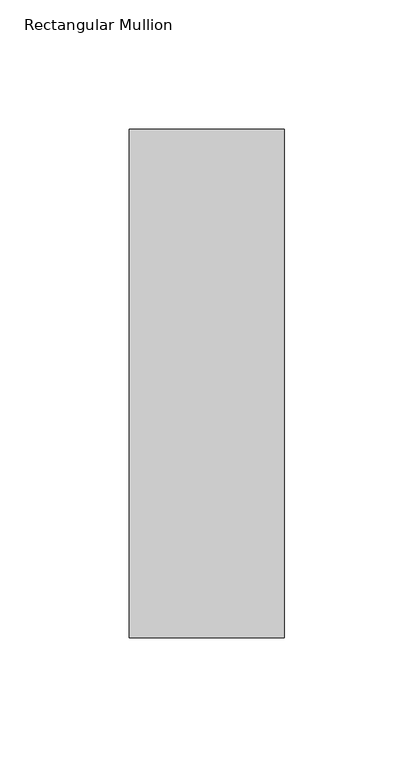
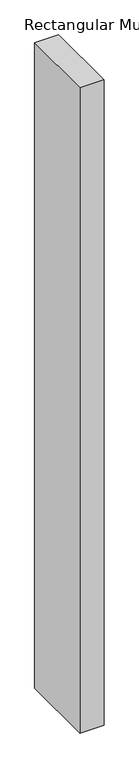
"""IFC4 building model written with IfcOpenShell, lengths in millimetres: member geometry, Rectangular Mullion."""

from ifc_helpers import new_model, si_unit, frame, origin, place, context, project, spatial, polyline, outline, extrude, source, transform, mapped, element, save


def rectangular_mullion_364c92e0(model_context):
    return source(origin(), model_context, "Body", "SweptSolid", [
        extrude(outline(polyline([(30.0, 153.875), (30.0, -42.875), (-30.0, -42.875), (-30.0, 153.875), (30.0, 153.875)])), frame((0.0, 0.0, -1708.8912252), z_axis=(0.0, 0.0, 1.0), x_axis=(1.0, 0.0, 0.0)), (0.0, 0.0, 1.0), 1708.8912252),
    ])


if __name__ == "__main__":
    model = new_model("IFC4")
    model_context = context("Model", 3, world=origin())
    ifc_project = project(units=[si_unit("LENGTHUNIT", "METRE", prefix="MILLI")], contexts=[model_context])
    site = spatial("IfcSite", under=ifc_project)
    building = spatial("IfcBuilding", under=site)
    placement = place(None, origin())
    rectangular_mullion_shape = rectangular_mullion_364c92e0(model_context)
    element("IfcMember", 1, ObjectType="Rectangular Mullion", at=placement, inside=building, context=model_context, shape_type="MappedRepresentation", body=[
        mapped(rectangular_mullion_shape, transform((0.0, 0.0, 0.0), x_axis=(1.0, 0.0, 0.0), y_axis=(0.0, 1.0, 0.0), z_axis=(0.0, 0.0, 1.0))),
    ])
    save(model, "model.ifc")
